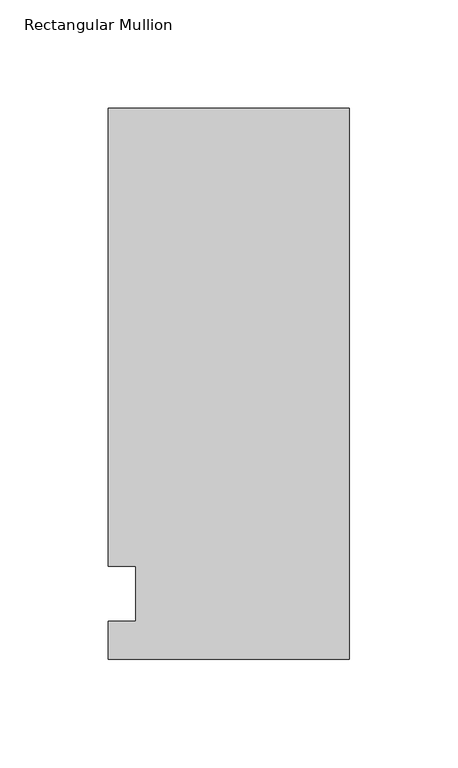
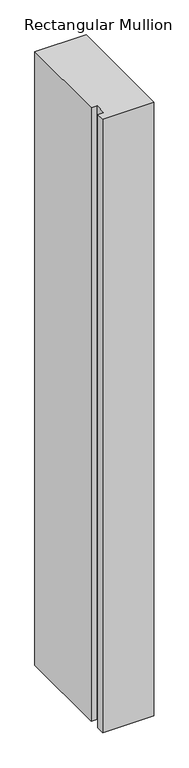
"""IFC4 building model written with IfcOpenShell, lengths in millimetres: member geometry, Rectangular Mullion."""

from ifc_helpers import new_model, si_unit, frame, origin, place, context, project, spatial, polyline, outline, extrude, source, transform, mapped, element, save


def rectangular_mullion_6d2c97bb(model_context):
    return source(origin(), model_context, "Body", "SweptSolid", [
        extrude(outline(polyline([(-111.125, 223.8375), (0.0, 223.8375), (0.0, -30.1625), (-111.125, -30.1625), (-111.125, -12.7), (-98.4232296, -12.7), (-98.4232296, 12.7), (-111.125, 12.7), (-111.125, 223.8375)])), frame((0.0, 0.0, -1405.4666667), z_axis=(0.0, 0.0, 1.0), x_axis=(1.0, 0.0, 0.0)), (0.0, 0.0, 1.0), 1405.4666667),
    ])


if __name__ == "__main__":
    model = new_model("IFC4")
    model_context = context("Model", 3, world=origin())
    ifc_project = project(units=[si_unit("LENGTHUNIT", "METRE", prefix="MILLI")], contexts=[model_context])
    site = spatial("IfcSite", under=ifc_project)
    building = spatial("IfcBuilding", under=site)
    placement = place(None, origin())
    rectangular_mullion_shape = rectangular_mullion_6d2c97bb(model_context)
    element("IfcMember", 1, ObjectType="Rectangular Mullion", at=placement, inside=building, context=model_context, shape_type="MappedRepresentation", body=[
        mapped(rectangular_mullion_shape, transform((0.0, 0.0, 0.0), x_axis=(1.0, 0.0, 0.0), y_axis=(0.0, 1.0, 0.0), z_axis=(0.0, 0.0, 1.0))),
    ])
    save(model, "model.ifc")
